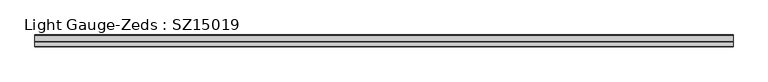
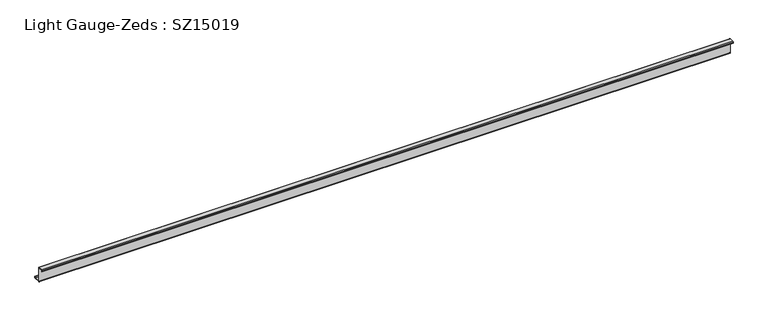
"""IFC4 building model written with IfcOpenShell, lengths in millimetres: beam geometry, Light Gauge-Zeds : SZ15019."""

from ifc_helpers import new_model, si_unit, point, frame, frame_2d, origin, place, context, project, spatial, polyline, circle_curve, trimmed, segment, composite_curve, outline, extrude, source, transform, mapped, element, save


def light_gauge_zeds_sz15019_57481267(model_context):
    return source(origin(), model_context, "Body", "SweptSolid", [
        extrude(outline(composite_curve([segment(polyline([(0.0, -72.1), (0.0, 72.1)]), True, "CONTINUOUS"), segment(trimmed(circle_curve(frame_2d((-2.0, 72.1)), 2.0), [point((0.0, 72.1))], [point((-2.0, 74.1))], True, "CARTESIAN"), True, "CONTINUOUS"), segment(polyline([(-2.0, 74.1), (-46.6, 74.1)]), True, "CONTINUOUS"), segment(trimmed(circle_curve(frame_2d((-46.6, 72.1)), 2.0), [point((-46.6, 74.1))], [point((-48.6, 72.1))], True, "CARTESIAN"), True, "CONTINUOUS"), segment(polyline([(-48.6, 72.1), (-48.6, 58.0), (-50.5, 58.0), (-50.5, 72.1)]), True, "CONTINUOUS"), segment(trimmed(circle_curve(frame_2d((-46.6, 72.1)), 3.9), [point((-50.5, 72.1))], [point((-46.6, 76.0))], False, "CARTESIAN"), True, "CONTINUOUS"), segment(polyline([(-46.6, 76.0), (-2.0, 76.0)]), True, "CONTINUOUS"), segment(trimmed(circle_curve(frame_2d((-2.0, 72.1)), 3.9), [point((-2.0, 76.0))], [point((1.9, 72.1))], False, "CARTESIAN"), True, "CONTINUOUS"), segment(polyline([(1.9, 72.1), (1.9, -72.1)]), True, "CONTINUOUS"), segment(trimmed(circle_curve(frame_2d((3.9, -72.1)), 2.0), [point((1.9, -72.1))], [point((3.9, -74.1))], True, "CARTESIAN"), True, "CONTINUOUS"), segment(polyline([(3.9, -74.1), (63.6, -74.1)]), True, "CONTINUOUS"), segment(trimmed(circle_curve(frame_2d((63.6, -72.1)), 2.0), [point((63.6, -74.1))], [point((65.6, -72.1))], True, "CARTESIAN"), True, "CONTINUOUS"), segment(polyline([(65.6, -72.1), (65.6, -57.0), (67.5, -57.0), (67.5, -72.1)]), True, "CONTINUOUS"), segment(trimmed(circle_curve(frame_2d((63.6, -72.1)), 3.9), [point((67.5, -72.1))], [point((63.6, -76.0))], False, "CARTESIAN"), True, "CONTINUOUS"), segment(polyline([(63.6, -76.0), (3.9, -76.0)]), True, "CONTINUOUS"), segment(trimmed(circle_curve(frame_2d((3.9, -72.1)), 3.9), [point((3.9, -76.0))], [point((0.0, -72.1))], False, "CARTESIAN"), True, "CONTINUOUS")], self_intersect=False)), frame((-3086.5, 0.0, 0.0), z_axis=(1.0, 0.0, 0.0), x_axis=(0.0, 1.0, 0.0)), (0.0, 0.0, 1.0), 6869.0),
    ])


if __name__ == "__main__":
    model = new_model("IFC4")
    model_context = context("Model", 3, world=origin())
    ifc_project = project(units=[si_unit("LENGTHUNIT", "METRE", prefix="MILLI")], contexts=[model_context])
    site = spatial("IfcSite", under=ifc_project)
    building = spatial("IfcBuilding", under=site)
    placement = place(None, origin())
    light_gauge_zeds_sz15019_shape = light_gauge_zeds_sz15019_57481267(model_context)
    element("IfcBeam", 1, ObjectType="Light Gauge-Zeds : SZ15019", at=placement, inside=building, context=model_context, shape_type="MappedRepresentation", body=[
        mapped(light_gauge_zeds_sz15019_shape, transform((0.0, 0.0, 0.0), x_axis=(1.0, 0.0, 0.0), y_axis=(0.0, 1.0, 0.0), z_axis=(0.0, 0.0, 1.0))),
    ])
    save(model, "model.ifc")
